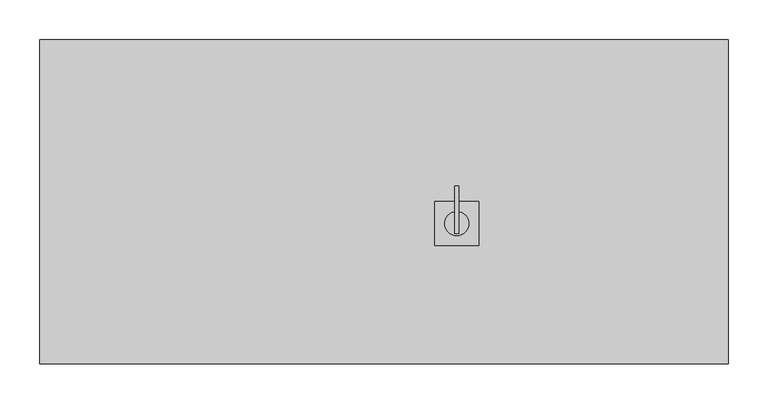
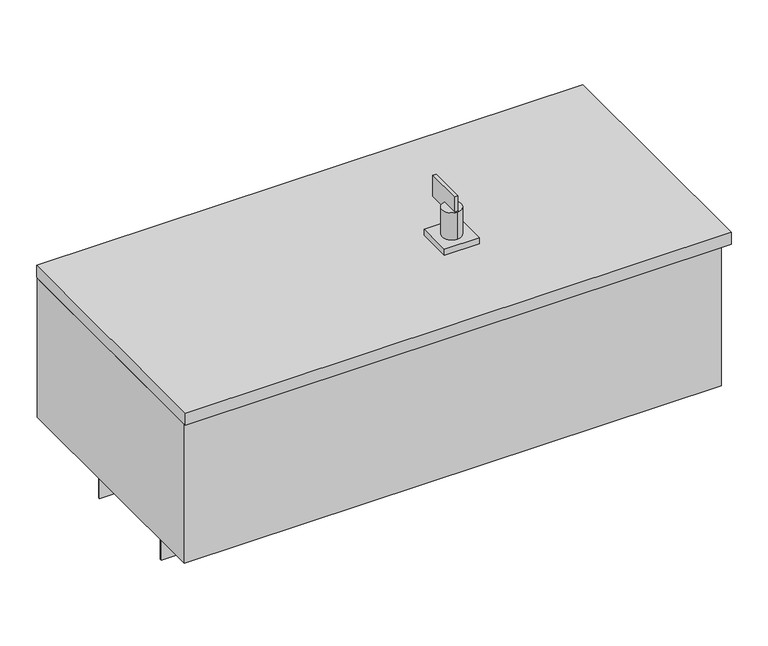
"""IFC4 building model written with IfcOpenShell, lengths in millimetres: proxy geometry."""

from ifc_helpers import new_model, si_unit, point, frame, frame_2d, origin, origin_with_axes, place, context, project, spatial, polyline, circle_curve, trimmed, segment, composite_curve, outline, extrude, source, transform, mapped, element, save


def electrical_fixtures_8c5bbe8f(model_context):
    return source(origin(), model_context, "Body", "SweptSolid", [
        extrude(outline(polyline([(409.5, -40.0), (409.5, 19.6236902), (414.5, 19.6236902), (414.5, -40.0), (409.5, -40.0)])), frame((0.0, 0.0, 297.0), z_axis=(0.0, 0.0, 1.0), x_axis=(1.0, 0.0, 0.0)), (0.0, 0.0, 1.0), 35.0),
        extrude(outline(composite_curve([segment(trimmed(circle_curve(frame_2d((412.0, -27.5)), 15.0), [point((412.0, -12.5))], [point((412.0, -42.5))], False, "CARTESIAN"), True, "CONTINUOUS"), segment(trimmed(circle_curve(frame_2d((412.0, -27.5)), 15.0), [point((412.0, -42.5))], [point((412.0, -12.5))], False, "CARTESIAN"), True, "CONTINUOUS")], self_intersect=False)), frame((0.0, 0.0, 252.0), z_axis=(0.0, 0.0, 1.0), x_axis=(1.0, 0.0, 0.0)), (0.0, 0.0, 1.0), 55.0),
        extrude(outline(polyline([(384.5, -55.0), (384.5, 0.0), (439.5, 0.0), (439.5, -55.0), (384.5, -55.0)])), frame((0.0, 0.0, 252.0), z_axis=(0.0, 0.0, 1.0), x_axis=(1.0, 0.0, 0.0)), (0.0, 0.0, 1.0), 10.0),
        extrude(outline(polyline([(0.0, -80.0), (-75.0, -80.0), (-75.0, -10.0), (-15.0, -10.0), (-15.0, 5.0), (-75.0, 5.0), (-75.0, 65.0), (-20.0, 65.0), (-20.0, 642.0), (-75.0, 642.0), (-75.0, 737.0), (-30.0, 737.0), (-30.0, 712.0), (-20.0, 712.0), (-20.0, 737.0), (0.0, 737.0), (0.0, -80.0)])), frame((0.0, -85.5, 0.0), z_axis=(0.0, 1.0, 0.0), x_axis=(0.0, 0.0, 1.0)), (0.0, 0.0, 1.0), 2.0),
        extrude(outline(polyline([(0.0, -80.0), (-75.0, -80.0), (-75.0, -10.0), (-15.0, -10.0), (-15.0, 5.0), (-75.0, 5.0), (-75.0, 65.0), (-20.0, 65.0), (-20.0, 642.0), (-75.0, 642.0), (-75.0, 737.0), (-30.0, 737.0), (-30.0, 712.0), (-20.0, 712.0), (-20.0, 737.0), (0.0, 737.0), (0.0, -80.0)])), frame((0.0, 83.5, 0.0), z_axis=(0.0, 1.0, 0.0), x_axis=(0.0, 0.0, 1.0)), (0.0, 0.0, 1.0), 2.0),
        extrude(outline(polyline([(752.0, -203.0), (-110.0, -203.0), (-110.0, 203.0), (752.0, 203.0), (752.0, -203.0)])), frame((0.0, 0.0, 232.0), z_axis=(0.0, 0.0, 1.0), x_axis=(1.0, 0.0, 0.0)), (0.0, 0.0, 1.0), 20.0),
        extrude(outline(polyline([(0.0, -55.0), (0.0, 55.0), (10.0, 55.0), (10.0, -55.0), (0.0, -55.0)])), frame((0.0, 0.0, -40.0), z_axis=(0.0, 0.0, 1.0), x_axis=(1.0, 0.0, 0.0)), (0.0, 0.0, 1.0), 40.0),
        extrude(outline(polyline([(-110.0, -201.0), (-110.0, 201.0), (737.0, 201.0), (737.0, -201.0), (-110.0, -201.0)])), origin_with_axes(), (0.0, 0.0, 1.0), 232.0),
    ])


if __name__ == "__main__":
    model = new_model("IFC4")
    model_context = context("Model", 3, world=origin())
    ifc_project = project(units=[si_unit("LENGTHUNIT", "METRE", prefix="MILLI")], contexts=[model_context])
    site = spatial("IfcSite", under=ifc_project)
    building = spatial("IfcBuilding", under=site)
    placement = place(None, origin())
    electrical_fixtures_shape = electrical_fixtures_8c5bbe8f(model_context)
    element("IfcBuildingElementProxy", 1, Name="Electrical Fixtures", at=placement, inside=building, context=model_context, shape_type="MappedRepresentation", body=[
        mapped(electrical_fixtures_shape, transform((0.0, 0.0, 0.0), x_axis=(1.0, 0.0, 0.0), y_axis=(0.0, 1.0, 0.0), z_axis=(0.0, 0.0, 1.0))),
    ])
    save(model, "model.ifc")
